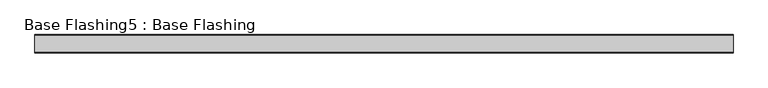
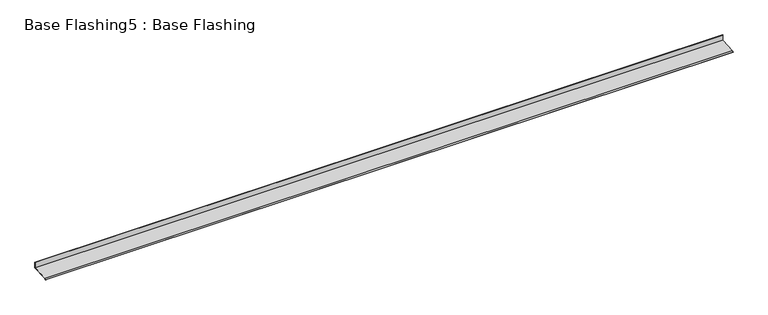
"""IFC4 building model written with IfcOpenShell, lengths in millimetres: proxy geometry, Base Flashing5 : Base Flashing."""

from ifc_helpers import new_model, si_unit, frame, origin, place, context, project, spatial, polyline, outline, extrude, source, transform, mapped, element, save


def base_flashing5_base_flashing_d779f822(model_context):
    return source(origin(), model_context, "Body", "SweptSolid", [
        extrude(outline(polyline([(-655.3516479, 3120.0), (-832.3230177, 3109.5283213), (-843.1014935, 3098.7498456), (-844.6102565, 3100.2586086), (-833.4008209, 3111.4680442), (-657.3516479, 3121.885155), (-657.3516479, 3180.0), (-655.3516479, 3180.0), (-655.3516479, 3120.0)])), frame((-12482.3516223, 0.0, 0.0), z_axis=(1.0, 0.0, 0.0), x_axis=(0.0, 1.0, 0.0)), (0.0, 0.0, 1.0), 7248.1766329),
    ])


if __name__ == "__main__":
    model = new_model("IFC4")
    model_context = context("Model", 3, world=origin())
    ifc_project = project(units=[si_unit("LENGTHUNIT", "METRE", prefix="MILLI")], contexts=[model_context])
    site = spatial("IfcSite", under=ifc_project)
    building = spatial("IfcBuilding", under=site)
    placement = place(None, origin())
    base_flashing5_base_flashing_shape = base_flashing5_base_flashing_d779f822(model_context)
    element("IfcBuildingElementProxy", 1, Name="Base Flashing5 : Base Flashing", ObjectType="Base Flashing5 : Base Flashing", at=placement, inside=building, context=model_context, shape_type="MappedRepresentation", body=[
        mapped(base_flashing5_base_flashing_shape, transform((0.0, 0.0, 0.0), x_axis=(1.0, 0.0, 0.0), y_axis=(0.0, 1.0, 0.0), z_axis=(0.0, 0.0, 1.0))),
    ])
    save(model, "model.ifc")
